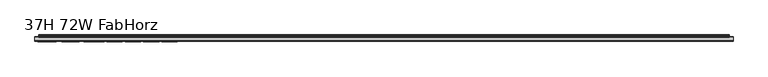
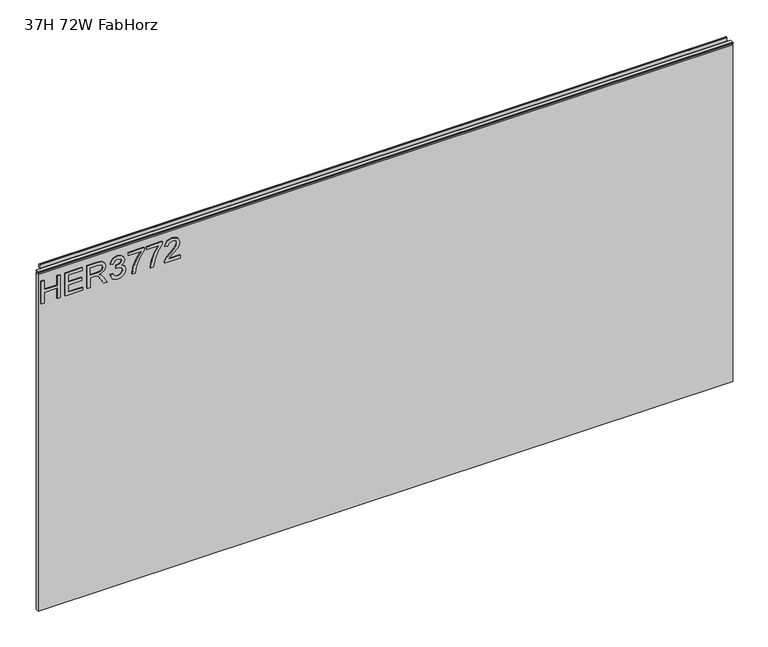
"""IFC4 building model written with IfcOpenShell, lengths in millimetres: furniture geometry, 37H 72W FabHorz."""

from ifc_helpers import new_model, si_unit, frame, origin, place, context, project, spatial, polyline, outline, extrude, source, transform, mapped, element, save


def furniture_37h_72w_fabhorz_b259babf(model_context):
    return source(origin(), model_context, "Body", "SweptSolid", [
        extrude(outline(polyline([(951.4078, -291.3575385), (951.4078, -283.5421538), (980.7154923, -283.5421538), (980.7154923, -250.3267692), (951.4078, -250.3267692), (951.4078, -242.5113846), (1013.9308769, -242.5113846), (1013.9308769, -250.3267692), (988.5308769, -250.3267692), (988.5308769, -283.5421538), (1013.9308769, -283.5421538), (1013.9308769, -291.3575385), (951.4078, -291.3575385)])), frame((0.0, -5.5562439, 0.0), z_axis=(0.0, 1.0, 0.0), x_axis=(0.0, 0.0, 1.0)), (0.0, 0.0, 1.0), 2.38125),
        extrude(outline(polyline([(951.4078, -228.8344615), (951.4078, -182.9190769), (959.2231846, -182.9190769), (959.2231846, -221.0190769), (979.7385692, -221.0190769), (979.7385692, -185.8498462), (987.5539538, -185.8498462), (987.5539538, -221.0190769), (1006.1154923, -221.0190769), (1006.1154923, -183.896), (1013.9308769, -183.896), (1013.9308769, -228.8344615), (951.4078, -228.8344615)])), frame((0.0, -5.5562439, 0.0), z_axis=(0.0, 1.0, 0.0), x_axis=(0.0, 0.0, 1.0)), (0.0, 0.0, 1.0), 2.38125),
        extrude(outline(polyline([(951.4078, -171.196), (951.4078, -163.3806154), (978.7616462, -163.3806154), (978.7616462, -153.9472019), (978.4868865, -149.4136683), (976.9986053, -145.6967813), (972.945901, -141.5677548), (964.3672952, -135.6909519), (951.4078, -127.5550144), (951.4078, -118.4726827), (968.3513096, -128.8982837), (976.3956606, -135.2330192), (979.7385692, -139.6749663), (985.5543144, -126.5857236), (996.8194587, -122.3498462), (1006.2757688, -124.906637), (1012.2441582, -131.7450986), (1013.9308769, -144.2542933), (1013.9308769, -171.196), (951.4078, -171.196)]), holes=[polyline([(986.5770308, -163.3806154), (1006.1154923, -163.3806154), (1006.1154923, -143.918476), (1003.4136894, -133.4699784), (996.5294346, -130.1652308), (991.2250476, -131.8977428), (987.6837014, -136.9655313), (986.5770308, -145.8875865), (986.5770308, -163.3806154)])]), frame((0.0, -5.5562439, 0.0), z_axis=(0.0, 1.0, 0.0), x_axis=(0.0, 0.0, 1.0)), (0.0, 0.0, 1.0), 2.38125),
        extrude(outline(polyline([(968.0154923, -111.6036923), (955.3307567, -105.3910721), (950.4308769, -91.6836202), (951.8657327, -83.3301647), (956.1703, -76.5565769), (962.5355644, -72.0688365), (970.1525115, -70.5729231), (980.3186173, -73.56475), (985.6611654, -82.0822981), (990.8358048, -75.6712404), (998.0406125, -73.5036923), (1005.924687, -75.7857236), (1011.7862255, -82.3799543), (1013.9308769, -91.8057356), (1009.5805163, -104.230976), (997.3231846, -110.6267692), (996.3462615, -102.8113846), (1003.6731846, -98.9800144), (1006.1154923, -91.530976), (1003.6960813, -84.173524), (997.5826798, -81.3190769), (990.6831606, -85.2572981), (988.5308769, -95.3776106), (980.7154923, -96.2476827), (981.5703, -90.7677548), (978.3724034, -81.8838606), (970.2898913, -78.3883077), (961.7112856, -81.9143894), (958.2462615, -91.4088606), (960.7648913, -99.4761082), (968.9924154, -103.7883077), (968.0154923, -111.6036923)])), frame((0.0, -5.5562439, 0.0), z_axis=(0.0, 1.0, 0.0), x_axis=(0.0, 0.0, 1.0)), (0.0, 0.0, 1.0), 2.38125),
        extrude(outline(polyline([(1005.1385692, -63.7344615), (1005.1385692, -30.5190769), (988.965913, -42.3337404), (969.0382087, -50.8589207), (951.4078, -53.9652308), (951.4078, -46.1498462), (968.3971029, -43.2496058), (989.8207207, -34.3428149), (1006.6344827, -22.7036923), (1012.9539538, -22.7036923), (1012.9539538, -63.7344615), (1005.1385692, -63.7344615)])), frame((0.0, -5.5562439, 0.0), z_axis=(0.0, 1.0, 0.0), x_axis=(0.0, 0.0, 1.0)), (0.0, 0.0, 1.0), 2.38125),
        extrude(outline(polyline([(1005.1385692, -15.8652308), (1005.1385692, 17.3501538), (988.965913, 5.5354904), (969.0382087, -2.9896899), (951.4078, -6.096), (951.4078, 1.7193846), (968.3971029, 4.619625), (989.8207207, 13.5264159), (1006.6344827, 25.1655385), (1012.9539538, 25.1655385), (1012.9539538, -15.8652308), (1005.1385692, -15.8652308)])), frame((0.0, -5.5562439, 0.0), z_axis=(0.0, 1.0, 0.0), x_axis=(0.0, 0.0, 1.0)), (0.0, 0.0, 1.0), 2.38125),
        extrude(outline(polyline([(959.2231846, 72.0578462), (959.2231846, 41.3610913), (963.1995668, 44.8871731), (970.7172952, 53.8779183), (981.425288, 65.0743726), (989.0880284, 69.6918606), (996.4989058, 71.0809231), (1008.9241462, 65.9291803), (1013.9308769, 51.9393365), (1009.4278721, 37.9952861), (996.3462615, 32.004), (995.3693385, 39.8193846), (1003.2610452, 43.1088678), (1006.1154923, 51.7714279), (1003.1923553, 60.0829062), (996.0257087, 63.2655385), (987.1723433, 59.892101), (974.1517904, 46.398351), (965.0923553, 36.6138558), (956.7961413, 31.8666202), (951.4078, 31.0270769), (951.4078, 72.0578462), (959.2231846, 72.0578462)])), frame((0.0, -5.5562439, 0.0), z_axis=(0.0, 1.0, 0.0), x_axis=(0.0, 0.0, 1.0)), (0.0, 0.0, 1.0), 2.38125),
        extrude(outline(polyline([(5.5562561, 1041.4), (6.3500061, 1041.4), (6.3500061, 1051.27425), (7.1437561, 1052.068), (8.6677569, 1052.068), (10.0084363, 1051.6506926), (10.875413, 1050.5461816), (10.9623604, 1049.1447591), (10.2390011, 1046.1863459), (10.4046103, 1044.9833307), (11.6746103, 1042.7836103), (10.7786383, 1042.2663244), (7.1437561, 1042.2663244), (7.1437561, 1041.4), (6.3500061, 1041.1669239), (6.3500061, 1033.9578), (5.5562561, 1033.9578), (5.5562561, 1041.4)])), frame((-288.671, 0.0, 0.0), z_axis=(1.0, 0.0, 0.0), x_axis=(0.0, 1.0, 0.0)), (0.0, 0.0, 1.0), 1796.542),
        extrude(outline(polyline([(5.5562561, 1041.4), (5.5562561, 1038.2249996), (-3.975094, 1038.2249996), (-5.3492339, 1039.0183657), (-5.3492339, 1040.6066395), (-3.9751037, 1041.4), (5.5562561, 1041.4)])), frame((-298.196, 0.0, 0.0), z_axis=(1.0, 0.0, 0.0), x_axis=(0.0, 1.0, 0.0)), (0.0, 0.0, 1.0), 1815.592),
        extrude(outline(polyline([(1517.396, 6.3500061), (1517.396, -3.1749939), (-298.196, -3.1749939), (-298.196, 6.3500061), (1517.396, 6.3500061)])), frame((0.0, 0.0, 102.4381927), z_axis=(0.0, 0.0, 1.0), x_axis=(1.0, 0.0, 0.0)), (0.0, 0.0, 1.0), 931.5196073),
    ])


if __name__ == "__main__":
    model = new_model("IFC4")
    model_context = context("Model", 3, world=origin())
    ifc_project = project(units=[si_unit("LENGTHUNIT", "METRE", prefix="MILLI")], contexts=[model_context])
    site = spatial("IfcSite", under=ifc_project)
    building = spatial("IfcBuilding", under=site)
    placement = place(None, origin())
    furniture_37h_72w_fabhorz_shape = furniture_37h_72w_fabhorz_b259babf(model_context)
    element("IfcFurniture", 1, ObjectType="37H 72W FabHorz", at=placement, inside=building, context=model_context, shape_type="MappedRepresentation", body=[
        mapped(furniture_37h_72w_fabhorz_shape, transform((0.0, 0.0, 0.0), x_axis=(1.0, 0.0, 0.0), y_axis=(0.0, 1.0, 0.0), z_axis=(0.0, 0.0, 1.0))),
    ])
    save(model, "model.ifc")
